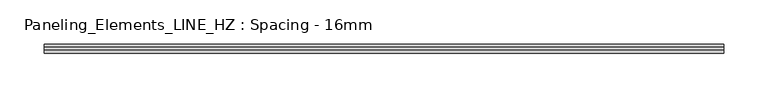
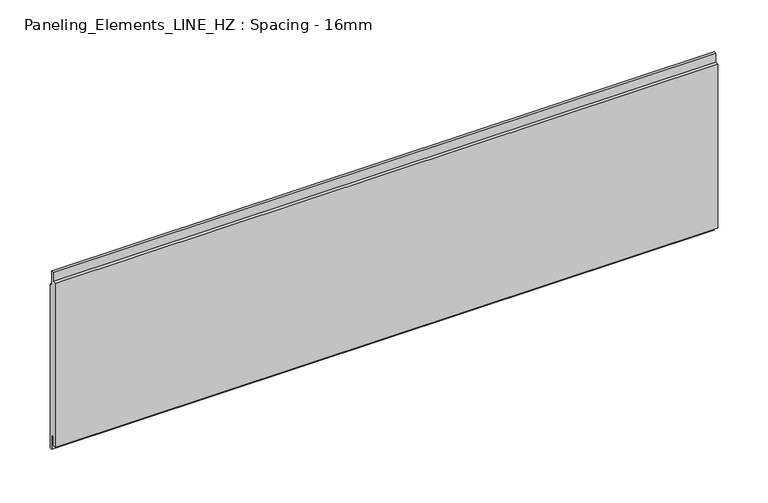
"""IFC4 building model written with IfcOpenShell, lengths in millimetres: plate geometry, Paneling_Elements_LINE_HZ : Spacing - 16mm."""

from ifc_helpers import new_model, si_unit, frame, origin, place, context, project, spatial, polyline, outline, extrude, source, transform, mapped, element, save


def paneling_elements_line_hz_spacing_16mm_e4c6b78a(model_context):
    return source(origin(), model_context, "Body", "SweptSolid", [
        extrude(outline(polyline([(-1.0, 211.0), (2.0, 211.0), (2.0, 193.0), (5.0, 193.0), (5.0, -7.0), (2.0, -7.0), (2.0, 11.0), (-1.0, 11.0), (-1.0, 0.0), (-5.0, 0.0), (-5.0, 200.0), (-1.0, 200.0), (-1.0, 211.0)])), frame((-382.25, 0.0, 0.0), z_axis=(1.0, 0.0, 0.0), x_axis=(0.0, 1.0, 0.0)), (0.0, 0.0, 1.0), 764.5),
    ])


if __name__ == "__main__":
    model = new_model("IFC4")
    model_context = context("Model", 3, world=origin())
    ifc_project = project(units=[si_unit("LENGTHUNIT", "METRE", prefix="MILLI")], contexts=[model_context])
    site = spatial("IfcSite", under=ifc_project)
    building = spatial("IfcBuilding", under=site)
    placement = place(None, origin())
    paneling_elements_line_hz_spacing_16mm_shape = paneling_elements_line_hz_spacing_16mm_e4c6b78a(model_context)
    element("IfcPlate", 1, ObjectType="Paneling_Elements_LINE_HZ : Spacing - 16mm", at=placement, inside=building, context=model_context, shape_type="MappedRepresentation", body=[
        mapped(paneling_elements_line_hz_spacing_16mm_shape, transform((0.0, 0.0, 0.0), x_axis=(1.0, 0.0, 0.0), y_axis=(0.0, 1.0, 0.0), z_axis=(0.0, 0.0, 1.0))),
    ])
    save(model, "model.ifc")
